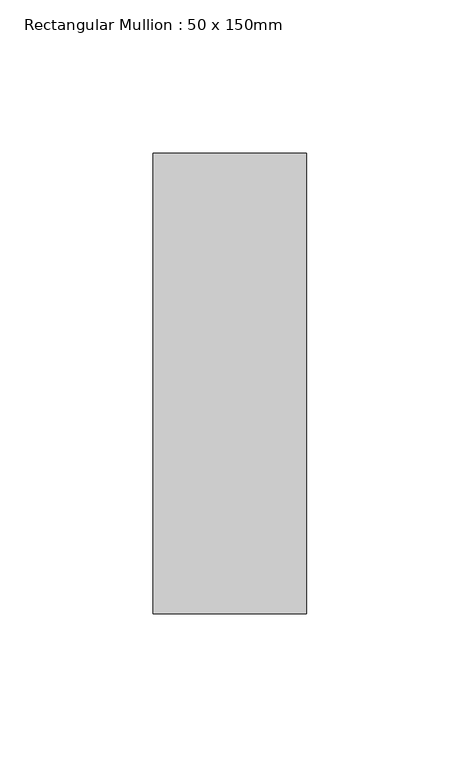
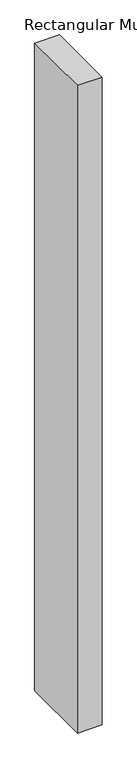
"""IFC4 building model written with IfcOpenShell, lengths in millimetres: member geometry, Rectangular Mullion : 50 x 150mm."""

from ifc_helpers import new_model, si_unit, frame, origin, place, context, project, spatial, polyline, outline, extrude, source, transform, mapped, element, save


def rectangular_mullion_50_x_150mm_0bc31ef5(model_context):
    return source(origin(), model_context, "Body", "SweptSolid", [
        extrude(outline(polyline([(0.0, 75.0), (0.0, -75.0), (-50.0, -75.0), (-50.0, 75.0), (0.0, 75.0)])), frame((0.0, 0.0, -1391.6666667), z_axis=(0.0, 0.0, 1.0), x_axis=(1.0, 0.0, 0.0)), (0.0, 0.0, 1.0), 1391.6666667),
    ])


if __name__ == "__main__":
    model = new_model("IFC4")
    model_context = context("Model", 3, world=origin())
    ifc_project = project(units=[si_unit("LENGTHUNIT", "METRE", prefix="MILLI")], contexts=[model_context])
    site = spatial("IfcSite", under=ifc_project)
    building = spatial("IfcBuilding", under=site)
    placement = place(None, origin())
    rectangular_mullion_50_x_150mm_shape = rectangular_mullion_50_x_150mm_0bc31ef5(model_context)
    element("IfcMember", 1, ObjectType="Rectangular Mullion : 50 x 150mm", at=placement, inside=building, context=model_context, shape_type="MappedRepresentation", body=[
        mapped(rectangular_mullion_50_x_150mm_shape, transform((0.0, 0.0, 0.0), x_axis=(1.0, 0.0, 0.0), y_axis=(0.0, 1.0, 0.0), z_axis=(0.0, 0.0, 1.0))),
    ])
    save(model, "model.ifc")
